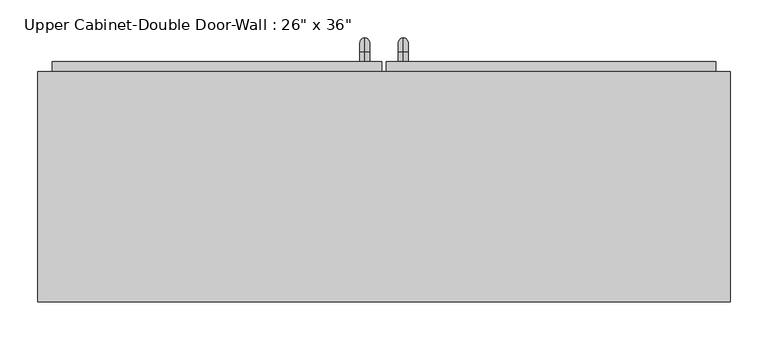
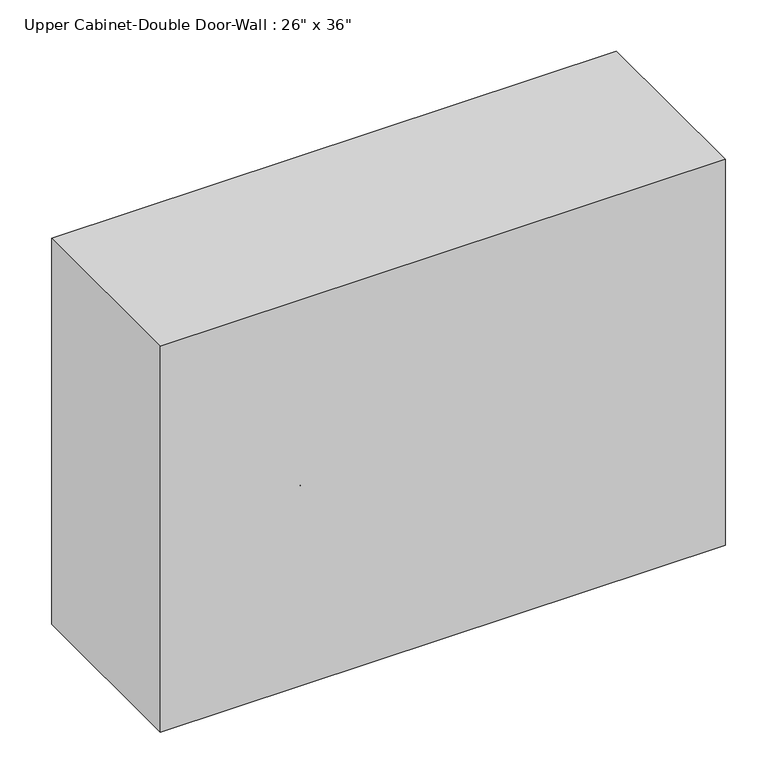
"""IFC4 building model written with IfcOpenShell, lengths in millimetres: furniture geometry."""

from ifc_helpers import new_model, si_unit, point, frame, origin, place, context, project, spatial, polyline, circle_curve, ellipse_curve, trimmed, outline, extrude, faceted_brep, source, transform, mapped, element, save
from ifc_brep_helpers import plane_surface, cylinder_surface, revolved_surface, advanced_brep


def furniture_3e0cead7(model_context):
    return source(origin(), model_context, "Body", "SolidModel", [
        faceted_brep([(-427.4288372, 61.9125, 2133.6), (-427.4288372, 61.9125, 1473.2), (486.9711628, 61.9125, 1473.2), (486.9711628, 61.9125, 2133.6), (-427.4288372, 366.7125, 2133.6), (486.9711628, 366.7125, 2133.6), (486.9711628, 366.7125, 1473.2), (-427.4288372, 366.7125, 1473.2), (-408.3788372, 366.7125, 2114.55), (-408.3788372, 366.7125, 1492.25), (467.9211628, 366.7125, 1492.25), (467.9211628, 366.7125, 2114.55), (467.9211628, 80.9625, 2114.55), (-408.3788372, 80.9625, 2114.55), (467.9211628, 80.9625, 1492.25), (-408.3788372, 80.9625, 1492.25)], [[[0, 1, 2, 3]], [[4, 5, 6, 7], [8, 9, 10, 11]], [[1, 0, 4, 7]], [[2, 1, 7, 6]], [[3, 2, 6, 5]], [[0, 3, 5, 4]], [[8, 11, 12, 13]], [[11, 10, 14, 12]], [[10, 9, 15, 14]], [[9, 8, 13, 15]], [[13, 12, 14, 15]]]),
        advanced_brep(
        [(55.1711628, 379.4125, 1619.25), (55.1711628, 379.4125, 1631.95), (55.1711628, 392.1125, 1619.25), (55.1711628, 392.1125, 1631.95), (55.1711628, 411.1625, 1612.9), (55.1711628, 398.4625, 1612.9), (55.1711628, 398.4625, 1536.7), (55.1711628, 411.1625, 1536.7), (55.1711628, 392.1125, 1517.65), (55.1711628, 392.1125, 1530.35), (55.1711628, 379.4125, 1530.35), (55.1711628, 379.4125, 1517.65)],
        [
            (0, 1, circle_curve(frame((55.1711628, 379.4125, 1625.6), z_axis=(0.0, -1.0, 0.0), x_axis=(0.0, 0.0, -1.0)), 6.35)),
            (1, 0, circle_curve(frame((55.1711628, 379.4125, 1625.6), z_axis=(0.0, -1.0, 0.0), x_axis=(0.0, 0.0, -1.0)), 6.35)),
            (0, 2),
            (2, 3, circle_curve(frame((55.1711628, 392.1125, 1625.6), z_axis=(0.0, -1.0, 0.0), x_axis=(0.0, 0.0, -1.0)), 6.35)),
            (3, 1),
            (3, 2, circle_curve(frame((55.1711628, 392.1125, 1625.6), z_axis=(0.0, -1.0, 0.0), x_axis=(0.0, 0.0, -1.0)), 6.35)),
            (4, 3, circle_curve(frame((55.1711628, 392.1125, 1612.9), z_axis=(1.0, 0.0, 0.0), x_axis=(0.0, 0.0, 1.0)), 19.05)),
            (2, 5, circle_curve(frame((55.1711628, 392.1125, 1612.9), z_axis=(-1.0, 0.0, 0.0), x_axis=(0.0, 0.0, 1.0)), 6.35)),
            (5, 4, circle_curve(frame((55.1711628, 404.8125, 1612.9), z_axis=(0.0, 0.0, 1.0), x_axis=(0.0, -1.0, 0.0)), 6.35)),
            (4, 5, circle_curve(frame((55.1711628, 404.8125, 1612.9), z_axis=(0.0, 0.0, 1.0), x_axis=(0.0, -1.0, 0.0)), 6.35)),
            (5, 6),
            (6, 7, circle_curve(frame((55.1711628, 404.8125, 1536.7), z_axis=(0.0, 0.0, 1.0), x_axis=(0.0, -1.0, 0.0)), 6.35)),
            (7, 4),
            (7, 6, circle_curve(frame((55.1711628, 404.8125, 1536.7), z_axis=(0.0, 0.0, 1.0), x_axis=(0.0, -1.0, 0.0)), 6.35)),
            (8, 7, circle_curve(frame((55.1711628, 392.1125, 1536.7), z_axis=(1.0, 0.0, 0.0), x_axis=(0.0, 1.0, 0.0)), 19.05)),
            (6, 9, circle_curve(frame((55.1711628, 392.1125, 1536.7), z_axis=(-1.0, 0.0, 0.0), x_axis=(0.0, 1.0, 0.0)), 6.35)),
            (9, 8, circle_curve(frame((55.1711628, 392.1125, 1524.0), z_axis=(0.0, 1.0, 0.0), x_axis=(0.0, 0.0, 1.0)), 6.35)),
            (8, 9, circle_curve(frame((55.1711628, 392.1125, 1524.0), z_axis=(0.0, 1.0, 0.0), x_axis=(0.0, 0.0, 1.0)), 6.35)),
            (10, 11, circle_curve(frame((55.1711628, 379.4125, 1524.0), z_axis=(0.0, -1.0, 0.0), x_axis=(0.0, 0.0, 1.0)), 6.35)),
            (11, 10, circle_curve(frame((55.1711628, 379.4125, 1524.0), z_axis=(0.0, -1.0, 0.0), x_axis=(0.0, 0.0, 1.0)), 6.35)),
            (9, 10),
            (11, 8),
        ],
        [
            plane_surface(frame((48.8211628, 379.4125, 1625.6), z_axis=(0.0, -1.0, 0.0), x_axis=(0.0, 0.0, 1.0))),
            cylinder_surface(frame((55.1711628, 379.4125, 1625.6), z_axis=(0.0, -1.0, 0.0), x_axis=(0.0, 0.0, -1.0)), 6.35),
            revolved_surface(trimmed(ellipse_curve(frame((55.1711628, 392.1125, 1625.6), z_axis=(0.0, -1.0, 0.0), x_axis=(0.0, 0.0, -1.0)), 6.35, 6.35), [point((55.1711628, 392.1125, 1619.25))], [point((55.1711628, 392.1125, 1631.95))], True, "CARTESIAN"), (55.1711628, 392.1125, 1612.9), (-1.0, 0.0, 0.0)),
            revolved_surface(trimmed(ellipse_curve(frame((55.1711628, 392.1125, 1625.6), z_axis=(0.0, -1.0, 0.0), x_axis=(0.0, 0.0, -1.0)), 6.35, 6.35), [point((55.1711628, 392.1125, 1631.95))], [point((55.1711628, 392.1125, 1619.25))], True, "CARTESIAN"), (55.1711628, 392.1125, 1612.9), (-1.0, 0.0, 0.0)),
            cylinder_surface(frame((55.1711628, 404.8125, 1612.9), z_axis=(0.0, 0.0, 1.0), x_axis=(0.0, -1.0, 0.0)), 6.35),
            revolved_surface(trimmed(ellipse_curve(frame((55.1711628, 404.8125, 1536.7), z_axis=(0.0, 0.0, 1.0), x_axis=(0.0, -1.0, 0.0)), 6.35, 6.35), [point((55.1711628, 398.4625, 1536.7))], [point((55.1711628, 411.1625, 1536.7))], True, "CARTESIAN"), (55.1711628, 392.1125, 1536.7), (-1.0, 0.0, 0.0)),
            revolved_surface(trimmed(ellipse_curve(frame((55.1711628, 404.8125, 1536.7), z_axis=(0.0, 0.0, 1.0), x_axis=(0.0, -1.0, 0.0)), 6.35, 6.35), [point((55.1711628, 411.1625, 1536.7))], [point((55.1711628, 398.4625, 1536.7))], True, "CARTESIAN"), (55.1711628, 392.1125, 1536.7), (-1.0, 0.0, 0.0)),
            plane_surface(frame((48.8211628, 379.4125, 1524.0), z_axis=(0.0, -1.0, 0.0), x_axis=(0.0, 0.0, -1.0))),
            cylinder_surface(frame((55.1711628, 392.1125, 1524.0), z_axis=(0.0, 1.0, 0.0), x_axis=(0.0, 0.0, 1.0)), 6.35),
        ],
        [
            (0, [[1, 2]]),
            (1, [[-1, 3, 4, 5]]),
            (1, [[-2, -5, 6, -3]]),
            (2, [[7, -4, 8, 9]]),
            (3, [[-8, -6, -7, 10]]),
            (4, [[-9, 11, 12, 13]]),
            (4, [[-10, -13, 14, -11]]),
            (5, [[15, -12, 16, 17]]),
            (6, [[-16, -14, -15, 18]]),
            (7, [[19, 20]]),
            (8, [[-17, 21, -20, 22]]),
            (8, [[-18, -22, -19, -21]]),
        ],
    ),
        advanced_brep(
        [(4.3711628, 379.4125, 1619.25), (4.3711628, 379.4125, 1631.95), (4.3711628, 392.1125, 1619.25), (4.3711628, 392.1125, 1631.95), (4.3711628, 411.1625, 1612.9), (4.3711628, 398.4625, 1612.9), (4.3711628, 398.4625, 1536.7), (4.3711628, 411.1625, 1536.7), (4.3711628, 392.1125, 1517.65), (4.3711628, 392.1125, 1530.35), (4.3711628, 379.4125, 1530.35), (4.3711628, 379.4125, 1517.65)],
        [
            (0, 1, circle_curve(frame((4.3711628, 379.4125, 1625.6), z_axis=(0.0, -1.0, 0.0), x_axis=(0.0, 0.0, 1.0)), 6.35)),
            (1, 0, circle_curve(frame((4.3711628, 379.4125, 1625.6), z_axis=(0.0, -1.0, 0.0), x_axis=(0.0, 0.0, 1.0)), 6.35)),
            (0, 2),
            (2, 3, circle_curve(frame((4.3711628, 392.1125, 1625.6), z_axis=(0.0, -1.0, 0.0), x_axis=(0.0, 0.0, 1.0)), 6.35)),
            (3, 1),
            (3, 2, circle_curve(frame((4.3711628, 392.1125, 1625.6), z_axis=(0.0, -1.0, 0.0), x_axis=(0.0, 0.0, 1.0)), 6.35)),
            (4, 3, circle_curve(frame((4.3711628, 392.1125, 1612.9), z_axis=(1.0, 0.0, 0.0), x_axis=(0.0, 0.0, 1.0)), 19.05)),
            (2, 5, circle_curve(frame((4.3711628, 392.1125, 1612.9), z_axis=(-1.0, 0.0, 0.0), x_axis=(0.0, 0.0, 1.0)), 6.35)),
            (5, 4, circle_curve(frame((4.3711628, 404.8125, 1612.9), z_axis=(0.0, 0.0, 1.0), x_axis=(0.0, 1.0, 0.0)), 6.35)),
            (4, 5, circle_curve(frame((4.3711628, 404.8125, 1612.9), z_axis=(0.0, 0.0, 1.0), x_axis=(0.0, 1.0, 0.0)), 6.35)),
            (5, 6),
            (6, 7, circle_curve(frame((4.3711628, 404.8125, 1536.7), z_axis=(0.0, 0.0, 1.0), x_axis=(0.0, 1.0, 0.0)), 6.35)),
            (7, 4),
            (7, 6, circle_curve(frame((4.3711628, 404.8125, 1536.7), z_axis=(0.0, 0.0, 1.0), x_axis=(0.0, 1.0, 0.0)), 6.35)),
            (8, 7, circle_curve(frame((4.3711628, 392.1125, 1536.7), z_axis=(1.0, 0.0, 0.0), x_axis=(0.0, 1.0, 0.0)), 19.05)),
            (6, 9, circle_curve(frame((4.3711628, 392.1125, 1536.7), z_axis=(-1.0, 0.0, 0.0), x_axis=(0.0, 1.0, 0.0)), 6.35)),
            (9, 8, circle_curve(frame((4.3711628, 392.1125, 1524.0), z_axis=(0.0, 1.0, 0.0), x_axis=(0.0, 0.0, -1.0)), 6.35)),
            (8, 9, circle_curve(frame((4.3711628, 392.1125, 1524.0), z_axis=(0.0, 1.0, 0.0), x_axis=(0.0, 0.0, -1.0)), 6.35)),
            (10, 11, circle_curve(frame((4.3711628, 379.4125, 1524.0), z_axis=(0.0, -1.0, 0.0), x_axis=(0.0, 0.0, -1.0)), 6.35)),
            (11, 10, circle_curve(frame((4.3711628, 379.4125, 1524.0), z_axis=(0.0, -1.0, 0.0), x_axis=(0.0, 0.0, -1.0)), 6.35)),
            (9, 10),
            (11, 8),
        ],
        [
            plane_surface(frame((-1.9788372, 379.4125, 1625.6), z_axis=(0.0, -1.0, 0.0), x_axis=(0.0, 0.0, 1.0))),
            cylinder_surface(frame((4.3711628, 379.4125, 1625.6), z_axis=(0.0, -1.0, 0.0), x_axis=(0.0, 0.0, 1.0)), 6.35),
            revolved_surface(trimmed(ellipse_curve(frame((4.3711628, 392.1125, 1625.6), z_axis=(0.0, -1.0, 0.0), x_axis=(0.0, 0.0, 1.0)), 6.35, 6.35), [point((4.3711628, 392.1125, 1619.25))], [point((4.3711628, 392.1125, 1631.95))], True, "CARTESIAN"), (4.3711628, 392.1125, 1612.9), (-1.0, 0.0, 0.0)),
            revolved_surface(trimmed(ellipse_curve(frame((4.3711628, 392.1125, 1625.6), z_axis=(0.0, -1.0, 0.0), x_axis=(0.0, 0.0, 1.0)), 6.35, 6.35), [point((4.3711628, 392.1125, 1631.95))], [point((4.3711628, 392.1125, 1619.25))], True, "CARTESIAN"), (4.3711628, 392.1125, 1612.9), (-1.0, 0.0, 0.0)),
            cylinder_surface(frame((4.3711628, 404.8125, 1612.9), z_axis=(0.0, 0.0, 1.0), x_axis=(0.0, 1.0, 0.0)), 6.35),
            revolved_surface(trimmed(ellipse_curve(frame((4.3711628, 404.8125, 1536.7), z_axis=(0.0, 0.0, 1.0), x_axis=(0.0, 1.0, 0.0)), 6.35, 6.35), [point((4.3711628, 398.4625, 1536.7))], [point((4.3711628, 411.1625, 1536.7))], True, "CARTESIAN"), (4.3711628, 392.1125, 1536.7), (-1.0, 0.0, 0.0)),
            revolved_surface(trimmed(ellipse_curve(frame((4.3711628, 404.8125, 1536.7), z_axis=(0.0, 0.0, 1.0), x_axis=(0.0, 1.0, 0.0)), 6.35, 6.35), [point((4.3711628, 411.1625, 1536.7))], [point((4.3711628, 398.4625, 1536.7))], True, "CARTESIAN"), (4.3711628, 392.1125, 1536.7), (-1.0, 0.0, 0.0)),
            plane_surface(frame((-1.9788372, 379.4125, 1524.0), z_axis=(0.0, -1.0, 0.0), x_axis=(0.0, 0.0, -1.0))),
            cylinder_surface(frame((4.3711628, 392.1125, 1524.0), z_axis=(0.0, 1.0, 0.0), x_axis=(0.0, 0.0, -1.0)), 6.35),
        ],
        [
            (0, [[1, 2]]),
            (1, [[-1, 3, 4, 5]]),
            (1, [[-2, -5, 6, -3]]),
            (2, [[7, -4, 8, 9]]),
            (3, [[-8, -6, -7, 10]]),
            (4, [[-9, 11, 12, 13]]),
            (4, [[-10, -13, 14, -11]]),
            (5, [[15, -12, 16, 17]]),
            (6, [[-16, -14, -15, 18]]),
            (7, [[19, 20]]),
            (8, [[-17, 21, -20, 22]]),
            (8, [[-18, -22, -19, -21]]),
        ],
    ),
        extrude(outline(polyline([(32.9461628, 379.4125), (467.9211628, 379.4125), (467.9211628, 347.6625), (32.9461628, 347.6625), (32.9461628, 379.4125)])), frame((0.0, 0.0, 1492.25), z_axis=(0.0, 0.0, 1.0), x_axis=(1.0, 0.0, 0.0)), (0.0, 0.0, 1.0), 622.3),
        extrude(outline(polyline([(-408.3788372, 379.4125), (26.5961628, 379.4125), (26.5961628, 347.6625), (-408.3788372, 347.6625), (-408.3788372, 379.4125)])), frame((0.0, 0.0, 1492.25), z_axis=(0.0, 0.0, 1.0), x_axis=(1.0, 0.0, 0.0)), (0.0, 0.0, 1.0), 622.3),
    ])


if __name__ == "__main__":
    model = new_model("IFC4")
    model_context = context("Model", 3, world=origin())
    ifc_project = project(units=[si_unit("LENGTHUNIT", "METRE", prefix="MILLI")], contexts=[model_context])
    site = spatial("IfcSite", under=ifc_project)
    building = spatial("IfcBuilding", under=site)
    placement = place(None, origin())
    furniture_shape = furniture_3e0cead7(model_context)
    element("IfcFurniture", 1, ObjectType="Upper Cabinet-Double Door-Wall : 26\" x 36\"", at=placement, inside=building, context=model_context, shape_type="MappedRepresentation", body=[
        mapped(furniture_shape, transform((0.0, 0.0, 0.0), x_axis=(1.0, 0.0, 0.0), y_axis=(0.0, 1.0, 0.0), z_axis=(0.0, 0.0, 1.0))),
    ])
    save(model, "model.ifc")
